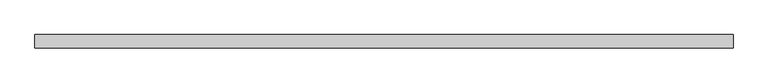
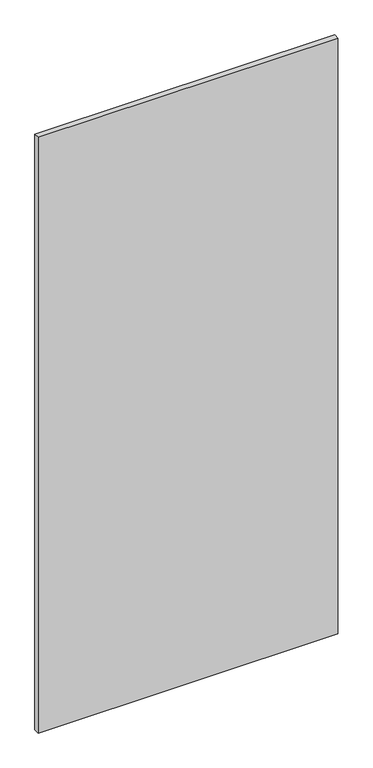
"""IFC4 building model written with IfcOpenShell, lengths in millimetres: proxy geometry."""

from ifc_helpers import new_model, si_unit, frame, origin, place, context, project, spatial, polyline, outline, extrude, source, transform, mapped, element, save


def specialty_equipment_b23a7924(model_context):
    return source(origin(), model_context, "Body", "SweptSolid", [
        extrude(outline(polyline([(506.1204, 9.525), (506.1204, -9.525), (-506.1204, -9.525), (-506.1204, 9.525), (506.1204, 9.525)])), frame((0.0, 0.0, 3.175), z_axis=(0.0, 0.0, 1.0), x_axis=(1.0, 0.0, 0.0)), (0.0, 0.0, 1.0), 2127.25),
    ])


if __name__ == "__main__":
    model = new_model("IFC4")
    model_context = context("Model", 3, world=origin())
    ifc_project = project(units=[si_unit("LENGTHUNIT", "METRE", prefix="MILLI")], contexts=[model_context])
    site = spatial("IfcSite", under=ifc_project)
    building = spatial("IfcBuilding", under=site)
    placement = place(None, origin())
    specialty_equipment_shape = specialty_equipment_b23a7924(model_context)
    element("IfcBuildingElementProxy", 1, Name="Specialty Equipment", at=placement, inside=building, context=model_context, shape_type="MappedRepresentation", body=[
        mapped(specialty_equipment_shape, transform((0.0, 0.0, 0.0), x_axis=(1.0, 0.0, 0.0), y_axis=(0.0, 1.0, 0.0), z_axis=(0.0, 0.0, 1.0))),
    ])
    save(model, "model.ifc")
